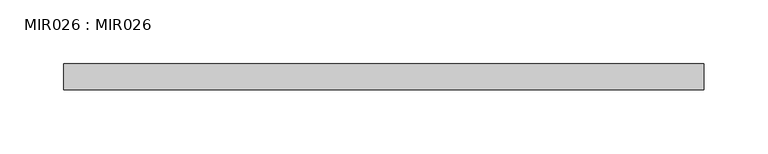
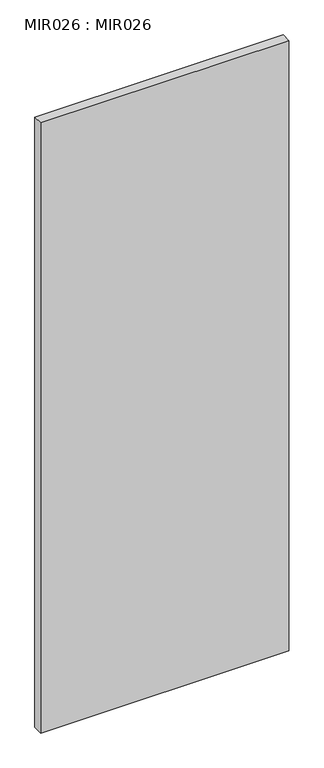
"""IFC4 building model written with IfcOpenShell, lengths in millimetres: proxy geometry, MIR026 : MIR026."""

from ifc_helpers import new_model, si_unit, origin, origin_with_axes, place, context, project, spatial, polyline, outline, extrude, source, transform, mapped, element, save


def mir026_mir026_4d680623(model_context):
    return source(origin(), model_context, "Body", "SweptSolid", [
        extrude(outline(polyline([(500.0000038, 20.0000011), (500.0000038, 0.0), (0.0, 0.0), (0.0, 20.0000011), (500.0000038, 20.0000011)])), origin_with_axes(), (0.0, 0.0, 1.0), 1300.0000099),
    ])


if __name__ == "__main__":
    model = new_model("IFC4")
    model_context = context("Model", 3, world=origin())
    ifc_project = project(units=[si_unit("LENGTHUNIT", "METRE", prefix="MILLI")], contexts=[model_context])
    site = spatial("IfcSite", under=ifc_project)
    building = spatial("IfcBuilding", under=site)
    placement = place(None, origin())
    mir026_mir026_shape = mir026_mir026_4d680623(model_context)
    element("IfcBuildingElementProxy", 1, Name="MIR026 : MIR026", ObjectType="MIR026 : MIR026", at=placement, inside=building, context=model_context, shape_type="MappedRepresentation", body=[
        mapped(mir026_mir026_shape, transform((0.0, 0.0, 0.0), x_axis=(1.0, 0.0, 0.0), y_axis=(0.0, 1.0, 0.0), z_axis=(0.0, 0.0, 1.0))),
    ])
    save(model, "model.ifc")
